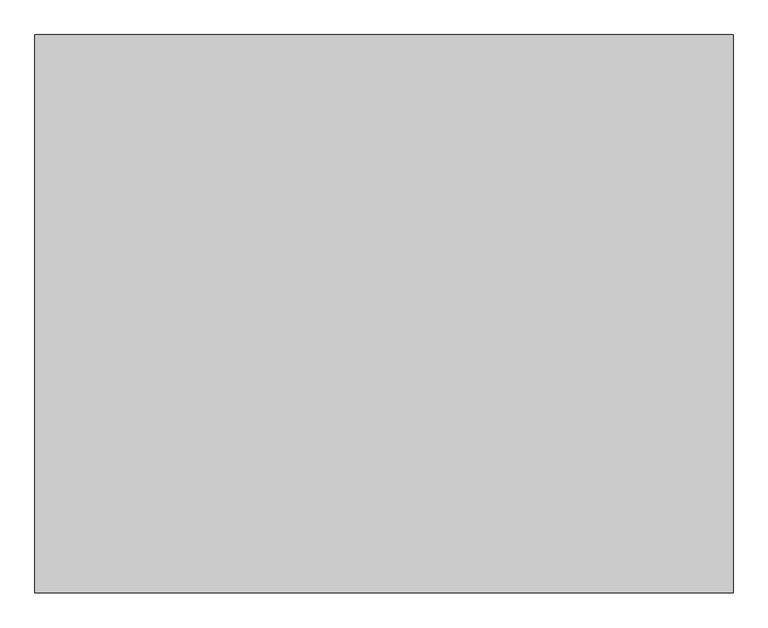
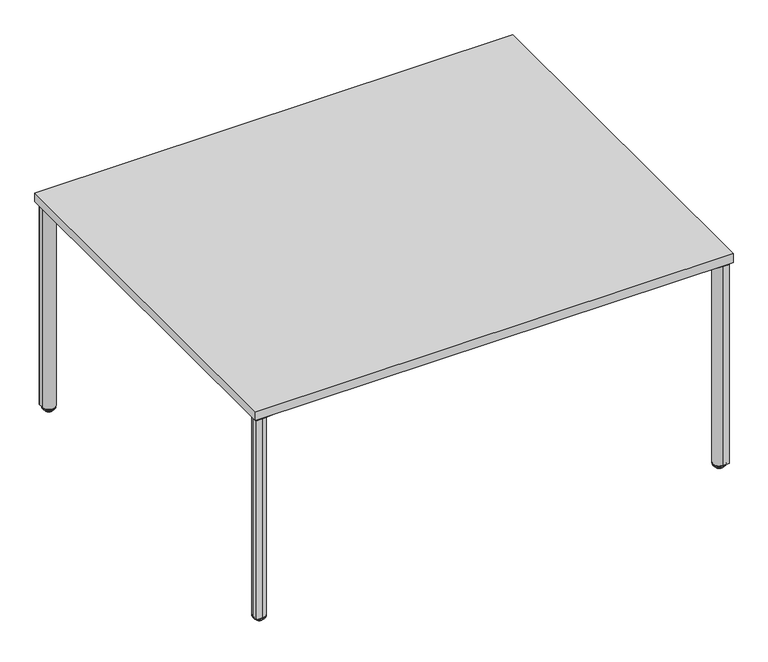
"""IFC4 building model written with IfcOpenShell, lengths in millimetres: furniture geometry."""

from ifc_helpers import new_model, si_unit, point, frame, frame_2d, origin, place, context, project, spatial, polyline, circle_curve, ellipse_curve, trimmed, segment, composite_curve, outline, extrude, source, transform, mapped, element, save
from ifc_brep_helpers import plane_surface, cylinder_surface, revolved_surface, advanced_brep


def furniture_3488e1a0(model_context):
    return source(origin(), model_context, "Body", "SolidModel", [
        extrude(outline(composite_curve([segment(polyline([(1377.7568228, -1162.5527261), (1371.1453386, -1086.9831948)]), True, "CONTINUOUS"), segment(trimmed(circle_curve(frame_2d((1390.1228474, -1085.3228762)), 19.05), [point((1371.1453386, -1086.9831948))], [point((1391.783166, -1066.3453673))], False, "CARTESIAN"), True, "CONTINUOUS"), segment(polyline([(1391.783166, -1066.3453673), (1469.4734847, -1073.1423966)]), True, "CONTINUOUS"), segment(trimmed(circle_curve(frame_2d((1467.5818706, -1094.7636215)), 21.7038146), [point((1469.4734847, -1073.1423966))], [point((1482.928784, -1079.4167059))], False, "CARTESIAN"), True, "CONTINUOUS"), segment(polyline([(1482.928784, -1079.4167059), (1498.5562562, -1095.0441759)]), True, "CONTINUOUS"), segment(trimmed(circle_curve(frame_2d((1477.5913269, -1116.0091081)), 29.6488894), [point((1498.5562562, -1095.0441759))], [point((1507.1273934, -1113.4250373))], False, "CARTESIAN"), True, "CONTINUOUS"), segment(polyline([(1507.1273934, -1113.4250373), (1513.5747643, -1187.1188278), (1513.5747643, -1205.3398699)]), True, "CONTINUOUS"), segment(trimmed(circle_curve(frame_2d((1510.13984, -1205.3398699)), 3.4349243), [point((1513.5747643, -1205.3398699))], [point((1510.13984, -1208.7747942))], False, "CARTESIAN"), True, "CONTINUOUS"), segment(polyline([(1510.13984, -1208.7747942), (1491.9188055, -1208.7747942), (1418.9868378, -1202.3940736)]), True, "CONTINUOUS"), segment(trimmed(circle_curve(frame_2d((1421.7540328, -1170.764892)), 31.75), [point((1418.9868378, -1202.3940736))], [point((1399.3033893, -1193.2155291))], False, "CARTESIAN"), True, "CONTINUOUS"), segment(polyline([(1399.3033893, -1193.2155291), (1385.7220271, -1179.6341631)]), True, "CONTINUOUS"), segment(trimmed(circle_curve(frame_2d((1405.2048647, -1160.1513311)), 27.5528892), [point((1385.7220271, -1179.6341631))], [point((1377.7568228, -1162.5527261))], False, "CARTESIAN"), True, "CONTINUOUS")], self_intersect=False)), frame((0.0, 0.0, 686.384194), z_axis=(0.0, 0.0, 1.0), x_axis=(1.0, 0.0, 0.0)), (0.0, 0.0, 1.0), 7.924807),
        extrude(outline(composite_curve([segment(trimmed(circle_curve(frame_2d((115.624494, -1160.1513311)), 27.5528892), [point((143.0725359, -1162.5527261))], [point((135.1073315, -1179.6341631))], False, "CARTESIAN"), True, "CONTINUOUS"), segment(polyline([(135.1073315, -1179.6341631), (121.5259694, -1193.2155291)]), True, "CONTINUOUS"), segment(trimmed(circle_curve(frame_2d((99.0753259, -1170.764892)), 31.75), [point((121.5259694, -1193.2155291))], [point((101.8425208, -1202.3940736))], False, "CARTESIAN"), True, "CONTINUOUS"), segment(polyline([(101.8425208, -1202.3940736), (28.9105532, -1208.7747942), (10.6895187, -1208.7747942)]), True, "CONTINUOUS"), segment(trimmed(circle_curve(frame_2d((10.6895187, -1205.3398699)), 3.4349243), [point((10.6895187, -1208.7747942))], [point((7.2545944, -1205.3398699))], False, "CARTESIAN"), True, "CONTINUOUS"), segment(polyline([(7.2545944, -1205.3398699), (7.2545944, -1187.1188278), (13.7019653, -1113.4250373)]), True, "CONTINUOUS"), segment(trimmed(circle_curve(frame_2d((43.2380317, -1116.0091081)), 29.6488894), [point((13.7019653, -1113.4250373))], [point((22.2731025, -1095.0441759))], False, "CARTESIAN"), True, "CONTINUOUS"), segment(polyline([(22.2731025, -1095.0441759), (37.9005747, -1079.4167059)]), True, "CONTINUOUS"), segment(trimmed(circle_curve(frame_2d((53.2474881, -1094.7636215)), 21.7038146), [point((37.9005747, -1079.4167059))], [point((51.355874, -1073.1423966))], False, "CARTESIAN"), True, "CONTINUOUS"), segment(polyline([(51.355874, -1073.1423966), (129.0461926, -1066.3453673)]), True, "CONTINUOUS"), segment(trimmed(circle_curve(frame_2d((130.7065113, -1085.3228762)), 19.05), [point((129.0461926, -1066.3453673))], [point((149.6840201, -1086.9831948))], False, "CARTESIAN"), True, "CONTINUOUS"), segment(polyline([(149.6840201, -1086.9831948), (143.0725359, -1162.5527261)]), True, "CONTINUOUS")], self_intersect=False)), frame((0.0, 0.0, 686.384194), z_axis=(0.0, 0.0, 1.0), x_axis=(1.0, 0.0, 0.0)), (0.0, 0.0, 1.0), 7.924807),
        extrude(outline(composite_curve([segment(trimmed(circle_curve(frame_2d((1405.2048647, -55.8736689)), 27.5528892), [point((1377.7568228, -53.4722739))], [point((1385.7220271, -36.3908369))], False, "CARTESIAN"), True, "CONTINUOUS"), segment(polyline([(1385.7220271, -36.3908369), (1399.3033893, -22.8094709)]), True, "CONTINUOUS"), segment(trimmed(circle_curve(frame_2d((1421.7540328, -45.260108)), 31.75), [point((1399.3033893, -22.8094709))], [point((1418.9868378, -13.6309264))], False, "CARTESIAN"), True, "CONTINUOUS"), segment(polyline([(1418.9868378, -13.6309264), (1491.9188055, -7.2502058), (1510.13984, -7.2502058)]), True, "CONTINUOUS"), segment(trimmed(circle_curve(frame_2d((1510.13984, -10.6851301)), 3.4349243), [point((1510.13984, -7.2502058))], [point((1513.5747643, -10.6851301))], False, "CARTESIAN"), True, "CONTINUOUS"), segment(polyline([(1513.5747643, -10.6851301), (1513.5747643, -28.9061722), (1507.1273934, -102.5999627)]), True, "CONTINUOUS"), segment(trimmed(circle_curve(frame_2d((1477.5913269, -100.0158919)), 29.6488894), [point((1507.1273934, -102.5999627))], [point((1498.5562562, -120.9808241))], False, "CARTESIAN"), True, "CONTINUOUS"), segment(polyline([(1498.5562562, -120.9808241), (1482.928784, -136.6082941)]), True, "CONTINUOUS"), segment(trimmed(circle_curve(frame_2d((1467.5818706, -121.2613785)), 21.7038146), [point((1482.928784, -136.6082941))], [point((1469.4734847, -142.8826034))], False, "CARTESIAN"), True, "CONTINUOUS"), segment(polyline([(1469.4734847, -142.8826034), (1391.783166, -149.6796327)]), True, "CONTINUOUS"), segment(trimmed(circle_curve(frame_2d((1390.1228474, -130.7021238)), 19.05), [point((1391.783166, -149.6796327))], [point((1371.1453386, -129.0418052))], False, "CARTESIAN"), True, "CONTINUOUS"), segment(polyline([(1371.1453386, -129.0418052), (1377.7568228, -53.4722739)]), True, "CONTINUOUS")], self_intersect=False)), frame((0.0, 0.0, 686.384194), z_axis=(0.0, 0.0, 1.0), x_axis=(1.0, 0.0, 0.0)), (0.0, 0.0, 1.0), 7.924807),
        extrude(outline(composite_curve([segment(polyline([(143.0725359, -53.4722739), (149.6840201, -129.0418052)]), True, "CONTINUOUS"), segment(trimmed(circle_curve(frame_2d((130.7065113, -130.7021238)), 19.05), [point((149.6840201, -129.0418052))], [point((129.0461926, -149.6796327))], False, "CARTESIAN"), True, "CONTINUOUS"), segment(polyline([(129.0461926, -149.6796327), (51.355874, -142.8826034)]), True, "CONTINUOUS"), segment(trimmed(circle_curve(frame_2d((53.2474881, -121.2613785)), 21.7038146), [point((51.355874, -142.8826034))], [point((37.9005747, -136.6082941))], False, "CARTESIAN"), True, "CONTINUOUS"), segment(polyline([(37.9005747, -136.6082941), (22.2731025, -120.9808241)]), True, "CONTINUOUS"), segment(trimmed(circle_curve(frame_2d((43.2380317, -100.0158919)), 29.6488894), [point((22.2731025, -120.9808241))], [point((13.7019653, -102.5999627))], False, "CARTESIAN"), True, "CONTINUOUS"), segment(polyline([(13.7019653, -102.5999627), (7.2545944, -28.9061722), (7.2545944, -10.6851301)]), True, "CONTINUOUS"), segment(trimmed(circle_curve(frame_2d((10.6895187, -10.6851301)), 3.4349243), [point((7.2545944, -10.6851301))], [point((10.6895187, -7.2502058))], False, "CARTESIAN"), True, "CONTINUOUS"), segment(polyline([(10.6895187, -7.2502058), (28.9105532, -7.2502058), (101.8425208, -13.6309264)]), True, "CONTINUOUS"), segment(trimmed(circle_curve(frame_2d((99.0753259, -45.260108)), 31.75), [point((101.8425208, -13.6309264))], [point((121.5259694, -22.8094709))], False, "CARTESIAN"), True, "CONTINUOUS"), segment(polyline([(121.5259694, -22.8094709), (135.1073315, -36.3908369)]), True, "CONTINUOUS"), segment(trimmed(circle_curve(frame_2d((115.624494, -55.8736689)), 27.5528892), [point((135.1073315, -36.3908369))], [point((143.0725359, -53.4722739))], False, "CARTESIAN"), True, "CONTINUOUS")], self_intersect=False)), frame((0.0, 0.0, 686.384194), z_axis=(0.0, 0.0, 1.0), x_axis=(1.0, 0.0, 0.0)), (0.0, 0.0, 1.0), 7.924807),
        extrude(outline(composite_curve([segment(polyline([(-778.7339216, 692.1060009), (-774.3452996, 667.0571033)]), True, "CONTINUOUS"), segment(trimmed(circle_curve(frame_2d((-768.9905764, 667.9952626)), 5.4362859), [point((-774.3452996, 667.0571033))], [point((-768.9905764, 662.5589767))], True, "CARTESIAN"), True, "CONTINUOUS"), segment(polyline([(-768.9905764, 662.5589767), (-752.8833942, 662.5589767)]), True, "CONTINUOUS"), segment(trimmed(circle_curve(frame_2d((-752.8833942, 668.1851523)), 5.6261756), [point((-752.8833942, 662.5589767))], [point((-747.3416275, 667.2142384))], True, "CARTESIAN"), True, "CONTINUOUS"), segment(polyline([(-747.3416275, 667.2142384), (-742.9689734, 692.1724031)]), True, "CONTINUOUS"), segment(trimmed(circle_curve(frame_2d((-740.4255015, 691.7267885)), 2.5822125), [point((-742.9689734, 692.1724031))], [point((-740.4255015, 694.309001))], False, "CARTESIAN"), True, "CONTINUOUS"), segment(polyline([(-740.4255015, 694.309001), (-726.6942763, 694.309001), (-726.6942763, 693.0949036), (-740.4148114, 693.0949036)]), True, "CONTINUOUS"), segment(trimmed(circle_curve(frame_2d((-740.4148114, 691.7140737)), 1.3808298), [point((-740.4148114, 693.0949036))], [point((-741.7749248, 691.9523647))], True, "CARTESIAN"), True, "CONTINUOUS"), segment(polyline([(-741.7749248, 691.9523647), (-746.1761286, 666.8312447)]), True, "CONTINUOUS"), segment(trimmed(circle_curve(frame_2d((-752.7072666, 667.9754958)), 6.6306164), [point((-746.1761286, 666.8312447))], [point((-752.7072666, 661.3448793))], False, "CARTESIAN"), True, "CONTINUOUS"), segment(polyline([(-752.7072666, 661.3448793), (-769.2429529, 661.3448793)]), True, "CONTINUOUS"), segment(trimmed(circle_curve(frame_2d((-769.2429529, 667.6948793)), 6.35), [point((-769.2429529, 661.3448793))], [point((-775.497683, 666.5990458))], False, "CARTESIAN"), True, "CONTINUOUS"), segment(polyline([(-775.497683, 666.5990458), (-779.9513011, 692.0191281)]), True, "CONTINUOUS"), segment(trimmed(circle_curve(frame_2d((-781.2319392, 691.7947593)), 1.3001443), [point((-779.9513011, 692.0191281))], [point((-781.2319392, 693.0949036))], True, "CARTESIAN"), True, "CONTINUOUS"), segment(polyline([(-781.2319392, 693.0949036), (-795.0202768, 693.0949036), (-795.0202768, 694.309001), (-781.3564481, 694.309001)]), True, "CONTINUOUS"), segment(trimmed(circle_curve(frame_2d((-781.3564481, 691.6465284)), 2.6624725), [point((-781.3564481, 694.309001))], [point((-778.7339216, 692.1060009))], False, "CARTESIAN"), True, "CONTINUOUS")], self_intersect=False)), frame((210.5025036, 0.0, 0.0), z_axis=(1.0, 0.0, 0.0), x_axis=(0.0, 1.0, 0.0)), (0.0, 0.0, 1.0), 1099.8199867),
        extrude(outline(composite_curve([segment(trimmed(circle_curve(frame_2d((-437.8435519, 691.6465284)), 2.6624725), [point((-440.4660784, 692.1060009))], [point((-437.8435519, 694.309001))], False, "CARTESIAN"), True, "CONTINUOUS"), segment(polyline([(-437.8435519, 694.309001), (-424.1797232, 694.309001), (-424.1797232, 693.0949036), (-437.9680608, 693.0949036)]), True, "CONTINUOUS"), segment(trimmed(circle_curve(frame_2d((-437.9680608, 691.7947593)), 1.3001443), [point((-437.9680608, 693.0949036))], [point((-439.2486989, 692.0191281))], True, "CARTESIAN"), True, "CONTINUOUS"), segment(polyline([(-439.2486989, 692.0191281), (-443.702317, 666.5990458)]), True, "CONTINUOUS"), segment(trimmed(circle_curve(frame_2d((-449.9570471, 667.6948793)), 6.35), [point((-443.702317, 666.5990458))], [point((-449.9570471, 661.3448793))], False, "CARTESIAN"), True, "CONTINUOUS"), segment(polyline([(-449.9570471, 661.3448793), (-466.4927334, 661.3448793)]), True, "CONTINUOUS"), segment(trimmed(circle_curve(frame_2d((-466.4927334, 667.9754958)), 6.6306164), [point((-466.4927334, 661.3448793))], [point((-473.0238714, 666.8312447))], False, "CARTESIAN"), True, "CONTINUOUS"), segment(polyline([(-473.0238714, 666.8312447), (-477.4250752, 691.9523647)]), True, "CONTINUOUS"), segment(trimmed(circle_curve(frame_2d((-478.7851886, 691.7140737)), 1.3808298), [point((-477.4250752, 691.9523647))], [point((-478.7851886, 693.0949036))], True, "CARTESIAN"), True, "CONTINUOUS"), segment(polyline([(-478.7851886, 693.0949036), (-492.5057237, 693.0949036), (-492.5057237, 694.309001), (-478.7744985, 694.309001)]), True, "CONTINUOUS"), segment(trimmed(circle_curve(frame_2d((-478.7744985, 691.7267885)), 2.5822125), [point((-478.7744985, 694.309001))], [point((-476.2310266, 692.1724031))], False, "CARTESIAN"), True, "CONTINUOUS"), segment(polyline([(-476.2310266, 692.1724031), (-471.8583725, 667.2142384)]), True, "CONTINUOUS"), segment(trimmed(circle_curve(frame_2d((-466.3166058, 668.1851523)), 5.6261756), [point((-471.8583725, 667.2142384))], [point((-466.3166058, 662.5589767))], True, "CARTESIAN"), True, "CONTINUOUS"), segment(polyline([(-466.3166058, 662.5589767), (-450.2094236, 662.5589767)]), True, "CONTINUOUS"), segment(trimmed(circle_curve(frame_2d((-450.2094236, 667.9952626)), 5.4362859), [point((-450.2094236, 662.5589767))], [point((-444.8547004, 667.0571033))], True, "CARTESIAN"), True, "CONTINUOUS"), segment(polyline([(-444.8547004, 667.0571033), (-440.4660784, 692.1060009)]), True, "CONTINUOUS")], self_intersect=False)), frame((210.5025036, 0.0, 0.0), z_axis=(1.0, 0.0, 0.0), x_axis=(0.0, 1.0, 0.0)), (0.0, 0.0, 1.0), 1099.8199867),
        advanced_brep(
        [(1492.8247953, -1168.0447732, 12.8144714), (1492.8247953, -1207.9960971, 12.8144714), (1492.8247953, -1203.0518018, 7.8701761), (1492.8247953, -1172.9890685, 7.8701761), (1492.8247953, -1202.0261175, 7.8701761), (1492.8247953, -1174.0147527, 7.8701761), (1492.8247953, -1202.0261175, 7.0593297), (1492.8247953, -1174.0147527, 7.0593297), (1492.8247953, -1200.1845745, 2.623811), (1492.8247953, -1175.8562958, 2.623811), (1492.8247953, -1197.8068594, 0.2460959), (1492.8247953, -1178.2340109, 0.2460959), (1492.8247953, -1196.8884169, 0.0), (1492.8247953, -1179.1524534, 0.0), (1492.8247953, -1188.0204351, 0.0), (1492.8247953, -1188.0204351, 15.24), (1492.8247953, -1207.9960971, 15.24), (1492.8247953, -1168.0447732, 15.24)],
        [
            (0, 1, circle_curve(frame((1492.8247953, -1188.0204351, 12.8144714), z_axis=(0.0, 0.0, -1.0), x_axis=(0.0, -1.0, 0.0)), 19.9756619)),
            (1, 2, circle_curve(frame((1492.8247953, -1203.0518018, 12.8144714), z_axis=(1.0, 0.0, 0.0), x_axis=(0.0, 1.0, 0.0)), 4.9442953)),
            (2, 3, circle_curve(frame((1492.8247953, -1188.0204351, 7.8701761), z_axis=(0.0, 0.0, 1.0), x_axis=(0.0, -1.0, 0.0)), 15.0313666)),
            (3, 0, circle_curve(frame((1492.8247953, -1172.9890685, 12.8144714), z_axis=(1.0, 0.0, 0.0), x_axis=(0.0, -1.0, 0.0)), 4.9442953)),
            (1, 0, circle_curve(frame((1492.8247953, -1188.0204351, 12.8144714), z_axis=(0.0, 0.0, -1.0), x_axis=(0.0, -1.0, 0.0)), 19.9756619)),
            (3, 2, circle_curve(frame((1492.8247953, -1188.0204351, 7.8701761), z_axis=(0.0, 0.0, 1.0), x_axis=(0.0, -1.0, 0.0)), 15.0313666)),
            (2, 4),
            (4, 5, circle_curve(frame((1492.8247953, -1188.0204351, 7.8701761), z_axis=(0.0, 0.0, 1.0), x_axis=(0.0, -1.0, 0.0)), 14.0056824)),
            (5, 3),
            (5, 4, circle_curve(frame((1492.8247953, -1188.0204351, 7.8701761), z_axis=(0.0, 0.0, 1.0), x_axis=(0.0, -1.0, 0.0)), 14.0056824)),
            (4, 6),
            (6, 7, circle_curve(frame((1492.8247953, -1188.0204351, 7.0593297), z_axis=(0.0, 0.0, 1.0), x_axis=(0.0, -1.0, 0.0)), 14.0056824)),
            (7, 5),
            (7, 6, circle_curve(frame((1492.8247953, -1188.0204351, 7.0593297), z_axis=(0.0, 0.0, 1.0), x_axis=(0.0, -1.0, 0.0)), 14.0056824)),
            (6, 8),
            (8, 9, circle_curve(frame((1492.8247953, -1188.0204351, 2.623811), z_axis=(0.0, 0.0, 1.0), x_axis=(0.0, -1.0, 0.0)), 12.1641393)),
            (9, 7),
            (9, 8, circle_curve(frame((1492.8247953, -1188.0204351, 2.623811), z_axis=(0.0, 0.0, 1.0), x_axis=(0.0, -1.0, 0.0)), 12.1641393)),
            (8, 10),
            (10, 11, circle_curve(frame((1492.8247953, -1188.0204351, 0.2460959), z_axis=(0.0, 0.0, 1.0), x_axis=(0.0, -1.0, 0.0)), 9.7864243)),
            (11, 9),
            (11, 10, circle_curve(frame((1492.8247953, -1188.0204351, 0.2460959), z_axis=(0.0, 0.0, 1.0), x_axis=(0.0, -1.0, 0.0)), 9.7864243)),
            (10, 12),
            (12, 13, circle_curve(frame((1492.8247953, -1188.0204351, 0.0), z_axis=(0.0, 0.0, 1.0), x_axis=(0.0, -1.0, 0.0)), 8.8679818)),
            (13, 11),
            (13, 12, circle_curve(frame((1492.8247953, -1188.0204351, 0.0), z_axis=(0.0, 0.0, 1.0), x_axis=(0.0, -1.0, 0.0)), 8.8679818)),
            (12, 14),
            (14, 13),
            (15, 16),
            (16, 17, circle_curve(frame((1492.8247953, -1188.0204351, 15.24), z_axis=(0.0, 0.0, 1.0), x_axis=(0.0, -1.0, 0.0)), 19.9756619)),
            (17, 15),
            (17, 16, circle_curve(frame((1492.8247953, -1188.0204351, 15.24), z_axis=(0.0, 0.0, 1.0), x_axis=(0.0, -1.0, 0.0)), 19.9756619)),
            (16, 1),
            (0, 17),
        ],
        [
            revolved_surface(trimmed(ellipse_curve(frame((1492.8247953, -1203.0518018, 12.8144714), z_axis=(-1.0, 0.0, 0.0), x_axis=(0.0, 1.0, 0.0)), 4.9442953, 4.9442953), [point((1492.8247953, -1203.0518018, 7.8701761))], [point((1492.8247953, -1207.9960971, 12.8144714))], True, "CARTESIAN"), (1492.8247953, -1188.0204351, 40.64), (0.0, 0.0, 1.0)),
            plane_surface(frame((1492.8247953, -1188.0204351, 7.8701761), z_axis=(0.0, 0.0, -1.0), x_axis=(0.0, -1.0, 0.0))),
            cylinder_surface(frame((1492.8247953, -1188.0204351, 40.64), z_axis=(0.0, 0.0, 1.0), x_axis=(0.0, -1.0, 0.0)), 14.0056824),
            revolved_surface(polyline([(1492.8247953, -1200.1845745, 2.623811), (1492.8247953, -1202.0261175, 7.0593297)]), (1492.8247953, -1188.0204351, 40.64), (0.0, 0.0, 1.0)),
            revolved_surface(polyline([(1492.8247953, -1197.8068594, 0.2460959), (1492.8247953, -1200.1845745, 2.623811)]), (1492.8247953, -1188.0204351, 40.64), (0.0, 0.0, 1.0)),
            revolved_surface(polyline([(1492.8247953, -1196.8884169, 0.0), (1492.8247953, -1197.8068594, 0.2460959)]), (1492.8247953, -1188.0204351, 40.64), (0.0, 0.0, 1.0)),
            plane_surface(frame((1492.8247953, -1188.0204351, 0.0), z_axis=(0.0, 0.0, -1.0), x_axis=(0.0, -1.0, 0.0))),
            plane_surface(frame((1492.8247953, -1188.0204351, 15.24), z_axis=(0.0, 0.0, 1.0), x_axis=(0.0, -1.0, 0.0))),
            cylinder_surface(frame((1492.8247953, -1188.0204351, 40.64), z_axis=(0.0, 0.0, 1.0), x_axis=(0.0, -1.0, 0.0)), 19.9756619),
        ],
        [
            (0, [[1, 2, 3, 4]]),
            (0, [[5, -4, 6, -2]]),
            (1, [[-3, 7, 8, 9]]),
            (1, [[-6, -9, 10, -7]]),
            (2, [[-8, 11, 12, 13]]),
            (2, [[-10, -13, 14, -11]]),
            (3, [[-12, 15, 16, 17]]),
            (3, [[-14, -17, 18, -15]]),
            (4, [[-16, 19, 20, 21]]),
            (4, [[-18, -21, 22, -19]]),
            (5, [[-20, 23, 24, 25]]),
            (5, [[-22, -25, 26, -23]]),
            (6, [[-24, 27, 28]]),
            (6, [[-26, -28, -27]]),
            (7, [[29, 30, 31]]),
            (7, [[-31, 32, -29]]),
            (8, [[-30, 33, -1, 34]]),
            (8, [[-32, -34, -5, -33]]),
        ],
    ),
        advanced_brep(
        [(27.9796875, -1172.9890685, 7.8701761), (27.9796875, -1203.0518018, 7.8701761), (27.9796875, -1207.9960971, 12.8144714), (27.9796875, -1168.0447732, 12.8144714), (27.9796875, -1174.0147527, 7.8701761), (27.9796875, -1202.0261175, 7.8701761), (27.9796875, -1174.0147527, 7.0593297), (27.9796875, -1202.0261175, 7.0593297), (27.9796875, -1175.8562958, 2.623811), (27.9796875, -1200.1845745, 2.623811), (27.9796875, -1178.2340109, 0.2460959), (27.9796875, -1197.8068594, 0.2460959), (27.9796875, -1179.1524534, 0.0), (27.9796875, -1196.8884169, 0.0), (27.9796875, -1188.0204351, 0.0), (27.9796875, -1168.0447732, 15.24), (27.9796875, -1207.9960971, 15.24), (27.9796875, -1188.0204351, 15.24)],
        [
            (0, 1, circle_curve(frame((27.9796875, -1188.0204351, 7.8701761), z_axis=(0.0, 0.0, 1.0), x_axis=(0.0, -1.0, 0.0)), 15.0313666)),
            (1, 2, circle_curve(frame((27.9796875, -1203.0518018, 12.8144714), z_axis=(-1.0, 0.0, 0.0), x_axis=(0.0, 1.0, 0.0)), 4.9442953)),
            (2, 3, circle_curve(frame((27.9796875, -1188.0204351, 12.8144714), z_axis=(0.0, 0.0, -1.0), x_axis=(0.0, -1.0, 0.0)), 19.9756619)),
            (3, 0, circle_curve(frame((27.9796875, -1172.9890685, 12.8144714), z_axis=(-1.0, 0.0, 0.0), x_axis=(0.0, -1.0, 0.0)), 4.9442953)),
            (1, 0, circle_curve(frame((27.9796875, -1188.0204351, 7.8701761), z_axis=(0.0, 0.0, 1.0), x_axis=(0.0, -1.0, 0.0)), 15.0313666)),
            (3, 2, circle_curve(frame((27.9796875, -1188.0204351, 12.8144714), z_axis=(0.0, 0.0, -1.0), x_axis=(0.0, -1.0, 0.0)), 19.9756619)),
            (4, 5, circle_curve(frame((27.9796875, -1188.0204351, 7.8701761), z_axis=(0.0, 0.0, 1.0), x_axis=(0.0, -1.0, 0.0)), 14.0056824)),
            (5, 1),
            (0, 4),
            (5, 4, circle_curve(frame((27.9796875, -1188.0204351, 7.8701761), z_axis=(0.0, 0.0, 1.0), x_axis=(0.0, -1.0, 0.0)), 14.0056824)),
            (6, 7, circle_curve(frame((27.9796875, -1188.0204351, 7.0593297), z_axis=(0.0, 0.0, 1.0), x_axis=(0.0, -1.0, 0.0)), 14.0056824)),
            (7, 5),
            (4, 6),
            (7, 6, circle_curve(frame((27.9796875, -1188.0204351, 7.0593297), z_axis=(0.0, 0.0, 1.0), x_axis=(0.0, -1.0, 0.0)), 14.0056824)),
            (8, 9, circle_curve(frame((27.9796875, -1188.0204351, 2.623811), z_axis=(0.0, 0.0, 1.0), x_axis=(0.0, -1.0, 0.0)), 12.1641393)),
            (9, 7),
            (6, 8),
            (9, 8, circle_curve(frame((27.9796875, -1188.0204351, 2.623811), z_axis=(0.0, 0.0, 1.0), x_axis=(0.0, -1.0, 0.0)), 12.1641393)),
            (10, 11, circle_curve(frame((27.9796875, -1188.0204351, 0.2460959), z_axis=(0.0, 0.0, 1.0), x_axis=(0.0, -1.0, 0.0)), 9.7864243)),
            (11, 9),
            (8, 10),
            (11, 10, circle_curve(frame((27.9796875, -1188.0204351, 0.2460959), z_axis=(0.0, 0.0, 1.0), x_axis=(0.0, -1.0, 0.0)), 9.7864243)),
            (12, 13, circle_curve(frame((27.9796875, -1188.0204351, 0.0), z_axis=(0.0, 0.0, 1.0), x_axis=(0.0, -1.0, 0.0)), 8.8679818)),
            (13, 11),
            (10, 12),
            (13, 12, circle_curve(frame((27.9796875, -1188.0204351, 0.0), z_axis=(0.0, 0.0, 1.0), x_axis=(0.0, -1.0, 0.0)), 8.8679818)),
            (14, 13),
            (12, 14),
            (15, 16, circle_curve(frame((27.9796875, -1188.0204351, 15.24), z_axis=(0.0, 0.0, 1.0), x_axis=(0.0, -1.0, 0.0)), 19.9756619)),
            (16, 17),
            (17, 15),
            (16, 15, circle_curve(frame((27.9796875, -1188.0204351, 15.24), z_axis=(0.0, 0.0, 1.0), x_axis=(0.0, -1.0, 0.0)), 19.9756619)),
            (2, 16),
            (15, 3),
        ],
        [
            revolved_surface(trimmed(ellipse_curve(frame((27.9796875, -1203.0518018, 12.8144714), z_axis=(1.0, 0.0, 0.0), x_axis=(0.0, 1.0, 0.0)), 4.9442953, 4.9442953), [point((27.9796875, -1207.9960971, 12.8144714))], [point((27.9796875, -1203.0518018, 7.8701761))], True, "CARTESIAN"), (27.9796875, -1188.0204351, 40.64), (0.0, 0.0, -1.0)),
            plane_surface(frame((27.9796875, -1188.0204351, 7.8701761), z_axis=(0.0, 0.0, -1.0), x_axis=(0.0, -1.0, 0.0))),
            cylinder_surface(frame((27.9796875, -1188.0204351, 40.64), z_axis=(0.0, 0.0, -1.0), x_axis=(0.0, -1.0, 0.0)), 14.0056824),
            revolved_surface(polyline([(27.9796875, -1202.0261175, 7.0593297), (27.9796875, -1200.1845745, 2.623811)]), (27.9796875, -1188.0204351, 40.64), (0.0, 0.0, -1.0)),
            revolved_surface(polyline([(27.9796875, -1200.1845745, 2.623811), (27.9796875, -1197.8068594, 0.2460959)]), (27.9796875, -1188.0204351, 40.64), (0.0, 0.0, -1.0)),
            revolved_surface(polyline([(27.9796875, -1197.8068594, 0.2460959), (27.9796875, -1196.8884169, 0.0)]), (27.9796875, -1188.0204351, 40.64), (0.0, 0.0, -1.0)),
            plane_surface(frame((27.9796875, -1188.0204351, 0.0), z_axis=(0.0, 0.0, -1.0), x_axis=(0.0, -1.0, 0.0))),
            plane_surface(frame((27.9796875, -1188.0204351, 15.24), z_axis=(0.0, 0.0, 1.0), x_axis=(0.0, -1.0, 0.0))),
            cylinder_surface(frame((27.9796875, -1188.0204351, 40.64), z_axis=(0.0, 0.0, -1.0), x_axis=(0.0, -1.0, 0.0)), 19.9756619),
        ],
        [
            (0, [[1, 2, 3, 4]]),
            (0, [[5, -4, 6, -2]]),
            (1, [[7, 8, -1, 9]]),
            (1, [[10, -9, -5, -8]]),
            (2, [[11, 12, -7, 13]]),
            (2, [[14, -13, -10, -12]]),
            (3, [[15, 16, -11, 17]]),
            (3, [[18, -17, -14, -16]]),
            (4, [[19, 20, -15, 21]]),
            (4, [[22, -21, -18, -20]]),
            (5, [[23, 24, -19, 25]]),
            (5, [[26, -25, -22, -24]]),
            (6, [[27, -23, 28]]),
            (6, [[-28, -26, -27]]),
            (7, [[29, 30, 31]]),
            (7, [[32, -31, -30]]),
            (8, [[-3, 33, -29, 34]]),
            (8, [[-6, -34, -32, -33]]),
        ],
    ),
        advanced_brep(
        [(1472.8120074, -27.9300781, 12.7759073), (1512.8127953, -27.9300781, 12.7759073), (1507.9070641, -27.9300781, 7.8701761), (1477.7177386, -27.9300781, 7.8701761), (1506.8840387, -27.9300781, 7.8701761), (1478.740764, -27.9300781, 7.8701761), (1506.8840387, -27.9300781, 7.0593297), (1478.740764, -27.9300781, 7.0593297), (1505.0012727, -27.9300781, 2.623811), (1480.62353, -27.9300781, 2.623811), (1502.6235576, -27.9300781, 0.2460959), (1483.001245, -27.9300781, 0.2460959), (1501.7051151, -27.9300781, 0.0), (1483.9196875, -27.9300781, 0.0), (1492.8124013, -27.9300781, 0.0), (1492.8124013, -27.9300781, 15.24), (1512.8127953, -27.9300781, 15.24), (1472.8120074, -27.9300781, 15.24)],
        [
            (0, 1, circle_curve(frame((1492.8124013, -27.9300781, 12.7759073), z_axis=(0.0, 0.0, -1.0), x_axis=(1.0, 0.0, 0.0)), 20.0003939)),
            (1, 2, circle_curve(frame((1507.9070641, -27.9300781, 12.7759073), z_axis=(0.0, 1.0, 0.0), x_axis=(-1.0, 0.0, 0.0)), 4.9057312)),
            (2, 3, circle_curve(frame((1492.8124013, -27.9300781, 7.8701761), z_axis=(0.0, 0.0, 1.0), x_axis=(1.0, 0.0, 0.0)), 15.0946628)),
            (3, 0, circle_curve(frame((1477.7177386, -27.9300781, 12.7759073), z_axis=(0.0, 1.0, 0.0), x_axis=(1.0, 0.0, 0.0)), 4.9057312)),
            (1, 0, circle_curve(frame((1492.8124013, -27.9300781, 12.7759073), z_axis=(0.0, 0.0, -1.0), x_axis=(1.0, 0.0, 0.0)), 20.0003939)),
            (3, 2, circle_curve(frame((1492.8124013, -27.9300781, 7.8701761), z_axis=(0.0, 0.0, 1.0), x_axis=(1.0, 0.0, 0.0)), 15.0946628)),
            (2, 4),
            (4, 5, circle_curve(frame((1492.8124013, -27.9300781, 7.8701761), z_axis=(0.0, 0.0, 1.0), x_axis=(1.0, 0.0, 0.0)), 14.0716373)),
            (5, 3),
            (5, 4, circle_curve(frame((1492.8124013, -27.9300781, 7.8701761), z_axis=(0.0, 0.0, 1.0), x_axis=(1.0, 0.0, 0.0)), 14.0716373)),
            (4, 6),
            (6, 7, circle_curve(frame((1492.8124013, -27.9300781, 7.0593297), z_axis=(0.0, 0.0, 1.0), x_axis=(1.0, 0.0, 0.0)), 14.0716373)),
            (7, 5),
            (7, 6, circle_curve(frame((1492.8124013, -27.9300781, 7.0593297), z_axis=(0.0, 0.0, 1.0), x_axis=(1.0, 0.0, 0.0)), 14.0716373)),
            (6, 8),
            (8, 9, circle_curve(frame((1492.8124013, -27.9300781, 2.623811), z_axis=(0.0, 0.0, 1.0), x_axis=(1.0, 0.0, 0.0)), 12.1888713)),
            (9, 7),
            (9, 8, circle_curve(frame((1492.8124013, -27.9300781, 2.623811), z_axis=(0.0, 0.0, 1.0), x_axis=(1.0, 0.0, 0.0)), 12.1888713)),
            (8, 10),
            (10, 11, circle_curve(frame((1492.8124013, -27.9300781, 0.2460959), z_axis=(0.0, 0.0, 1.0), x_axis=(1.0, 0.0, 0.0)), 9.8111563)),
            (11, 9),
            (11, 10, circle_curve(frame((1492.8124013, -27.9300781, 0.2460959), z_axis=(0.0, 0.0, 1.0), x_axis=(1.0, 0.0, 0.0)), 9.8111563)),
            (10, 12),
            (12, 13, circle_curve(frame((1492.8124013, -27.9300781, 0.0), z_axis=(0.0, 0.0, 1.0), x_axis=(1.0, 0.0, 0.0)), 8.8927138)),
            (13, 11),
            (13, 12, circle_curve(frame((1492.8124013, -27.9300781, 0.0), z_axis=(0.0, 0.0, 1.0), x_axis=(1.0, 0.0, 0.0)), 8.8927138)),
            (12, 14),
            (14, 13),
            (15, 16),
            (16, 17, circle_curve(frame((1492.8124013, -27.9300781, 15.24), z_axis=(0.0, 0.0, 1.0), x_axis=(1.0, 0.0, 0.0)), 20.0003939)),
            (17, 15),
            (17, 16, circle_curve(frame((1492.8124013, -27.9300781, 15.24), z_axis=(0.0, 0.0, 1.0), x_axis=(1.0, 0.0, 0.0)), 20.0003939)),
            (16, 1),
            (0, 17),
        ],
        [
            revolved_surface(trimmed(ellipse_curve(frame((1507.9070641, -27.9300781, 12.7759073), z_axis=(0.0, -1.0, 0.0), x_axis=(-1.0, 0.0, 0.0)), 4.9057312, 4.9057312), [point((1507.9070641, -27.9300781, 7.8701761))], [point((1512.8127953, -27.9300781, 12.7759073))], True, "CARTESIAN"), (1492.8124013, -27.9300781, -11.2120944), (0.0, 0.0, 1.0)),
            plane_surface(frame((1492.8124013, -27.9300781, 7.8701761), z_axis=(0.0, 0.0, -1.0), x_axis=(1.0, 0.0, 0.0))),
            cylinder_surface(frame((1492.8124013, -27.9300781, -11.2120944), z_axis=(0.0, 0.0, 1.0), x_axis=(1.0, 0.0, 0.0)), 14.0716373),
            revolved_surface(polyline([(1505.0012727, -27.9300781, 2.623811), (1506.8840387, -27.9300781, 7.0593297)]), (1492.8124013, -27.9300781, -11.2120944), (0.0, 0.0, 1.0)),
            revolved_surface(polyline([(1502.6235576, -27.9300781, 0.2460959), (1505.0012727, -27.9300781, 2.623811)]), (1492.8124013, -27.9300781, -11.2120944), (0.0, 0.0, 1.0)),
            revolved_surface(polyline([(1501.7051151, -27.9300781, 0.0), (1502.6235576, -27.9300781, 0.2460959)]), (1492.8124013, -27.9300781, -11.2120944), (0.0, 0.0, 1.0)),
            plane_surface(frame((1492.8124013, -27.9300781, 0.0), z_axis=(0.0, 0.0, -1.0), x_axis=(1.0, 0.0, 0.0))),
            plane_surface(frame((1492.8124013, -27.9300781, 15.24), z_axis=(0.0, 0.0, 1.0), x_axis=(1.0, 0.0, 0.0))),
            cylinder_surface(frame((1492.8124013, -27.9300781, -11.2120944), z_axis=(0.0, 0.0, 1.0), x_axis=(1.0, 0.0, 0.0)), 20.0003939),
        ],
        [
            (0, [[1, 2, 3, 4]]),
            (0, [[5, -4, 6, -2]]),
            (1, [[-3, 7, 8, 9]]),
            (1, [[-6, -9, 10, -7]]),
            (2, [[-8, 11, 12, 13]]),
            (2, [[-10, -13, 14, -11]]),
            (3, [[-12, 15, 16, 17]]),
            (3, [[-14, -17, 18, -15]]),
            (4, [[-16, 19, 20, 21]]),
            (4, [[-18, -21, 22, -19]]),
            (5, [[-20, 23, 24, 25]]),
            (5, [[-22, -25, 26, -23]]),
            (6, [[-24, 27, 28]]),
            (6, [[-26, -28, -27]]),
            (7, [[29, 30, 31]]),
            (7, [[-31, 32, -29]]),
            (8, [[-30, 33, -1, 34]]),
            (8, [[-32, -34, -5, -33]]),
        ],
    ),
        advanced_brep(
        [(43.0948591, -27.9300781, 7.8701761), (12.9055336, -27.9300781, 7.8701761), (7.9998024, -27.9300781, 12.7759073), (48.0005903, -27.9300781, 12.7759073), (42.0718337, -27.9300781, 7.8701761), (13.928559, -27.9300781, 7.8701761), (42.0718337, -27.9300781, 7.0593297), (13.928559, -27.9300781, 7.0593297), (40.1890677, -27.9300781, 2.623811), (15.811325, -27.9300781, 2.623811), (37.8113526, -27.9300781, 0.2460959), (18.18904, -27.9300781, 0.2460959), (36.8929101, -27.9300781, 0.0), (19.1074826, -27.9300781, 0.0), (28.0001963, -27.9300781, 0.0), (48.0005903, -27.9300781, 15.24), (7.9998024, -27.9300781, 15.24), (28.0001963, -27.9300781, 15.24)],
        [
            (0, 1, circle_curve(frame((28.0001963, -27.9300781, 7.8701761), z_axis=(0.0, 0.0, 1.0), x_axis=(-1.0, 0.0, 0.0)), 15.0946628)),
            (1, 2, circle_curve(frame((12.9055336, -27.9300781, 12.7759073), z_axis=(0.0, 1.0, 0.0), x_axis=(1.0, 0.0, 0.0)), 4.9057312)),
            (2, 3, circle_curve(frame((28.0001963, -27.9300781, 12.7759073), z_axis=(0.0, 0.0, -1.0), x_axis=(-1.0, 0.0, 0.0)), 20.0003939)),
            (3, 0, circle_curve(frame((43.0948591, -27.9300781, 12.7759073), z_axis=(0.0, 1.0, 0.0), x_axis=(-1.0, 0.0, 0.0)), 4.9057312)),
            (1, 0, circle_curve(frame((28.0001963, -27.9300781, 7.8701761), z_axis=(0.0, 0.0, 1.0), x_axis=(-1.0, 0.0, 0.0)), 15.0946628)),
            (3, 2, circle_curve(frame((28.0001963, -27.9300781, 12.7759073), z_axis=(0.0, 0.0, -1.0), x_axis=(-1.0, 0.0, 0.0)), 20.0003939)),
            (4, 5, circle_curve(frame((28.0001963, -27.9300781, 7.8701761), z_axis=(0.0, 0.0, 1.0), x_axis=(-1.0, 0.0, 0.0)), 14.0716373)),
            (5, 1),
            (0, 4),
            (5, 4, circle_curve(frame((28.0001963, -27.9300781, 7.8701761), z_axis=(0.0, 0.0, 1.0), x_axis=(-1.0, 0.0, 0.0)), 14.0716373)),
            (6, 7, circle_curve(frame((28.0001963, -27.9300781, 7.0593297), z_axis=(0.0, 0.0, 1.0), x_axis=(-1.0, 0.0, 0.0)), 14.0716373)),
            (7, 5),
            (4, 6),
            (7, 6, circle_curve(frame((28.0001963, -27.9300781, 7.0593297), z_axis=(0.0, 0.0, 1.0), x_axis=(-1.0, 0.0, 0.0)), 14.0716373)),
            (8, 9, circle_curve(frame((28.0001963, -27.9300781, 2.623811), z_axis=(0.0, 0.0, 1.0), x_axis=(-1.0, 0.0, 0.0)), 12.1888713)),
            (9, 7),
            (6, 8),
            (9, 8, circle_curve(frame((28.0001963, -27.9300781, 2.623811), z_axis=(0.0, 0.0, 1.0), x_axis=(-1.0, 0.0, 0.0)), 12.1888713)),
            (10, 11, circle_curve(frame((28.0001963, -27.9300781, 0.2460959), z_axis=(0.0, 0.0, 1.0), x_axis=(-1.0, 0.0, 0.0)), 9.8111563)),
            (11, 9),
            (8, 10),
            (11, 10, circle_curve(frame((28.0001963, -27.9300781, 0.2460959), z_axis=(0.0, 0.0, 1.0), x_axis=(-1.0, 0.0, 0.0)), 9.8111563)),
            (12, 13, circle_curve(frame((28.0001963, -27.9300781, 0.0), z_axis=(0.0, 0.0, 1.0), x_axis=(-1.0, 0.0, 0.0)), 8.8927138)),
            (13, 11),
            (10, 12),
            (13, 12, circle_curve(frame((28.0001963, -27.9300781, 0.0), z_axis=(0.0, 0.0, 1.0), x_axis=(-1.0, 0.0, 0.0)), 8.8927138)),
            (14, 13),
            (12, 14),
            (15, 16, circle_curve(frame((28.0001963, -27.9300781, 15.24), z_axis=(0.0, 0.0, 1.0), x_axis=(-1.0, 0.0, 0.0)), 20.0003939)),
            (16, 17),
            (17, 15),
            (16, 15, circle_curve(frame((28.0001963, -27.9300781, 15.24), z_axis=(0.0, 0.0, 1.0), x_axis=(-1.0, 0.0, 0.0)), 20.0003939)),
            (2, 16),
            (15, 3),
        ],
        [
            revolved_surface(trimmed(ellipse_curve(frame((12.9055336, -27.9300781, 12.7759073), z_axis=(0.0, -1.0, 0.0), x_axis=(1.0, 0.0, 0.0)), 4.9057312, 4.9057312), [point((7.9998024, -27.9300781, 12.7759073))], [point((12.9055336, -27.9300781, 7.8701761))], True, "CARTESIAN"), (28.0001963, -27.9300781, -11.2120944), (0.0, 0.0, -1.0)),
            plane_surface(frame((28.0001963, -27.9300781, 7.8701761), z_axis=(0.0, 0.0, -1.0), x_axis=(-1.0, 0.0, 0.0))),
            cylinder_surface(frame((28.0001963, -27.9300781, -11.2120944), z_axis=(0.0, 0.0, -1.0), x_axis=(-1.0, 0.0, 0.0)), 14.0716373),
            revolved_surface(polyline([(13.928559, -27.9300781, 7.0593297), (15.811325, -27.9300781, 2.623811)]), (28.0001963, -27.9300781, -11.2120944), (0.0, 0.0, -1.0)),
            revolved_surface(polyline([(15.811325, -27.9300781, 2.623811), (18.18904, -27.9300781, 0.2460959)]), (28.0001963, -27.9300781, -11.2120944), (0.0, 0.0, -1.0)),
            revolved_surface(polyline([(18.18904, -27.9300781, 0.2460959), (19.1074826, -27.9300781, 0.0)]), (28.0001963, -27.9300781, -11.2120944), (0.0, 0.0, -1.0)),
            plane_surface(frame((28.0001963, -27.9300781, 0.0), z_axis=(0.0, 0.0, -1.0), x_axis=(-1.0, 0.0, 0.0))),
            plane_surface(frame((28.0001963, -27.9300781, 15.24), z_axis=(0.0, 0.0, 1.0), x_axis=(-1.0, 0.0, 0.0))),
            cylinder_surface(frame((28.0001963, -27.9300781, -11.2120944), z_axis=(0.0, 0.0, -1.0), x_axis=(-1.0, 0.0, 0.0)), 20.0003939),
        ],
        [
            (0, [[1, 2, 3, 4]]),
            (0, [[5, -4, 6, -2]]),
            (1, [[7, 8, -1, 9]]),
            (1, [[10, -9, -5, -8]]),
            (2, [[11, 12, -7, 13]]),
            (2, [[14, -13, -10, -12]]),
            (3, [[15, 16, -11, 17]]),
            (3, [[18, -17, -14, -16]]),
            (4, [[19, 20, -15, 21]]),
            (4, [[22, -21, -18, -20]]),
            (5, [[23, 24, -19, 25]]),
            (5, [[26, -25, -22, -24]]),
            (6, [[27, -23, 28]]),
            (6, [[-28, -26, -27]]),
            (7, [[29, 30, 31]]),
            (7, [[32, -31, -30]]),
            (8, [[-3, 33, -29, 34]]),
            (8, [[-6, -34, -32, -33]]),
        ],
    ),
        extrude(outline(composite_curve([segment(polyline([(28.0001963, -1207.9594351), (8.0611963, -1207.9594351), (8.0611963, -1188.0204351)]), True, "CONTINUOUS"), segment(trimmed(circle_curve(frame_2d((28.0001963, -1188.0204351)), 19.939), [point((8.0611963, -1188.0204351))], [point((28.0001963, -1207.9594351))], False, "CARTESIAN"), True, "CONTINUOUS")], self_intersect=False)), frame((0.0, 0.0, 15.24), z_axis=(0.0, 0.0, 1.0), x_axis=(1.0, 0.0, 0.0)), (0.0, 0.0, 1.0), 671.144194),
        extrude(outline(composite_curve([segment(trimmed(circle_curve(frame_2d((1492.8247953, -1188.0204351)), 19.939), [point((1492.8247953, -1207.9594351))], [point((1512.7637953, -1188.0204351))], False, "CARTESIAN"), True, "CONTINUOUS"), segment(polyline([(1512.7637953, -1188.0204351), (1512.7637953, -1207.9594351), (1492.8247953, -1207.9594351)]), True, "CONTINUOUS")], self_intersect=False)), frame((0.0, 0.0, 15.24), z_axis=(0.0, 0.0, 1.0), x_axis=(1.0, 0.0, 0.0)), (0.0, 0.0, 1.0), 671.144194),
        extrude(outline(composite_curve([segment(polyline([(1492.8247953, -8.0612031), (1510.1100889, -8.0612031)]), True, "CONTINUOUS"), segment(trimmed(circle_curve(frame_2d((1510.1100889, -10.7149096)), 2.6537064), [point((1510.1100889, -8.0612031))], [point((1512.7637953, -10.7149096))], False, "CARTESIAN"), True, "CONTINUOUS"), segment(polyline([(1512.7637953, -10.7149096), (1512.7637953, -28.0002031)]), True, "CONTINUOUS"), segment(trimmed(circle_curve(frame_2d((1492.8247953, -28.0002031)), 19.939), [point((1512.7637953, -28.0002031))], [point((1492.8247953, -8.0612031))], False, "CARTESIAN"), True, "CONTINUOUS")], self_intersect=False)), frame((0.0, 0.0, 15.24), z_axis=(0.0, 0.0, 1.0), x_axis=(1.0, 0.0, 0.0)), (0.0, 0.0, 1.0), 671.144194),
        extrude(outline(composite_curve([segment(trimmed(circle_curve(frame_2d((28.0001963, -28.0002031)), 19.939), [point((28.0001963, -8.0612031))], [point((8.0611963, -28.0002031))], False, "CARTESIAN"), True, "CONTINUOUS"), segment(polyline([(8.0611963, -28.0002031), (8.0611963, -10.8667119)]), True, "CONTINUOUS"), segment(trimmed(circle_curve(frame_2d((10.8667051, -10.8667119)), 2.8055087), [point((8.0611963, -10.8667119))], [point((10.8667051, -8.0612031))], False, "CARTESIAN"), True, "CONTINUOUS"), segment(polyline([(10.8667051, -8.0612031), (28.0001963, -8.0612031)]), True, "CONTINUOUS")], self_intersect=False)), frame((0.0, 0.0, 15.24), z_axis=(0.0, 0.0, 1.0), x_axis=(1.0, 0.0, 0.0)), (0.0, 0.0, 1.0), 671.144194),
        extrude(outline(polyline([(0.0, -1216.0249758), (0.0, 0.0), (1520.8249758, 0.0), (1520.8249758, -1216.0249758), (0.0, -1216.0249758)])), frame((0.0, 0.0, 694.309001), z_axis=(0.0, 0.0, 1.0), x_axis=(1.0, 0.0, 0.0)), (0.0, 0.0, 1.0), 29.5899817),
    ])


if __name__ == "__main__":
    model = new_model("IFC4")
    model_context = context("Model", 3, world=origin())
    ifc_project = project(units=[si_unit("LENGTHUNIT", "METRE", prefix="MILLI")], contexts=[model_context])
    site = spatial("IfcSite", under=ifc_project)
    building = spatial("IfcBuilding", under=site)
    placement = place(None, origin())
    furniture_shape = furniture_3488e1a0(model_context)
    element("IfcFurniture", 1, at=placement, inside=building, context=model_context, shape_type="MappedRepresentation", body=[
        mapped(furniture_shape, transform((0.0, 0.0, 0.0), x_axis=(1.0, 0.0, 0.0), y_axis=(0.0, 1.0, 0.0), z_axis=(0.0, 0.0, 1.0))),
    ])
    save(model, "model.ifc")
